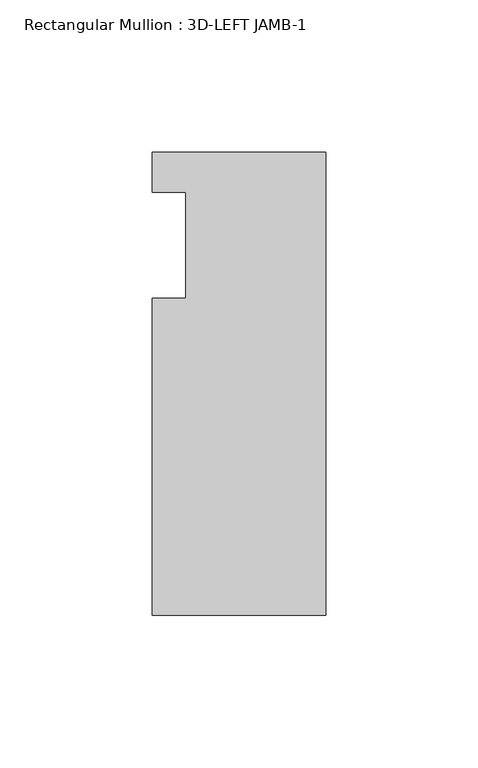
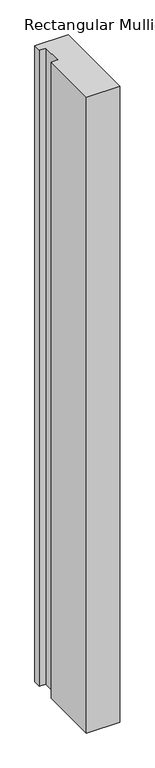
"""IFC4 building model written with IfcOpenShell, lengths in millimetres: member geometry, Rectangular Mullion : 3D-LEFT JAMB-1."""

from ifc_helpers import new_model, si_unit, frame, origin, place, context, project, spatial, polyline, outline, extrude, source, transform, mapped, element, save


def rectangular_mullion_3d_left_jamb_1_5149c353(model_context):
    return source(origin(), model_context, "Body", "SweptSolid", [
        extrude(outline(polyline([(0.0, -76.2), (-57.15, -76.2), (-57.15, 28.0416), (-46.0375, 28.0416), (-46.0375, 63.0047), (-57.15, 63.0047), (-57.15, 76.2), (0.0, 76.2), (0.0, -76.2)])), frame((0.0, 0.0, -1149.35), z_axis=(0.0, 0.0, 1.0), x_axis=(1.0, 0.0, 0.0)), (0.0, 0.0, 1.0), 1149.35),
    ])


if __name__ == "__main__":
    model = new_model("IFC4")
    model_context = context("Model", 3, world=origin())
    ifc_project = project(units=[si_unit("LENGTHUNIT", "METRE", prefix="MILLI")], contexts=[model_context])
    site = spatial("IfcSite", under=ifc_project)
    building = spatial("IfcBuilding", under=site)
    placement = place(None, origin())
    rectangular_mullion_3d_left_jamb_1_shape = rectangular_mullion_3d_left_jamb_1_5149c353(model_context)
    element("IfcMember", 1, ObjectType="Rectangular Mullion : 3D-LEFT JAMB-1", at=placement, inside=building, context=model_context, shape_type="MappedRepresentation", body=[
        mapped(rectangular_mullion_3d_left_jamb_1_shape, transform((0.0, 0.0, 0.0), x_axis=(1.0, 0.0, 0.0), y_axis=(0.0, 1.0, 0.0), z_axis=(0.0, 0.0, 1.0))),
    ])
    save(model, "model.ifc")
